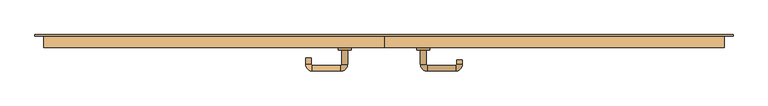
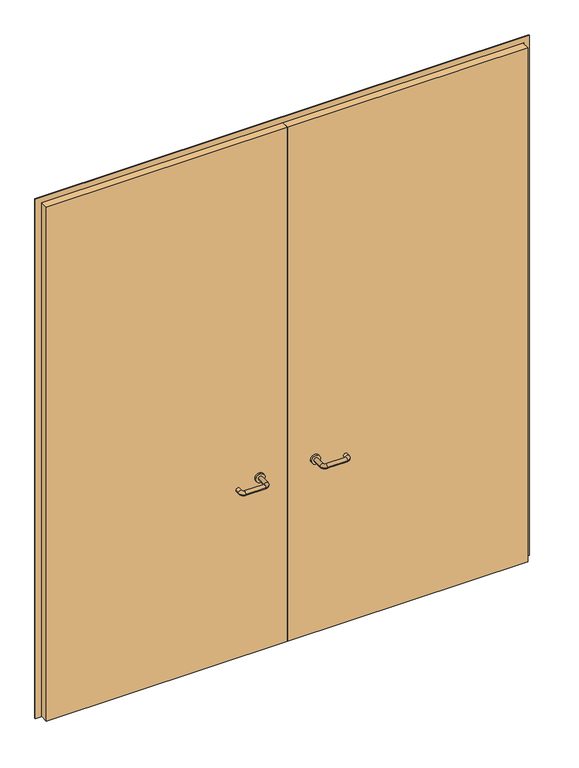
"""IFC4 building model written with IfcOpenShell, lengths in millimetres: door geometry."""

from ifc_helpers import new_model, si_unit, point, frame, frame_2d, origin, place, context, project, spatial, polyline, circle_curve, ellipse_curve, trimmed, segment, composite_curve, outline, extrude, source, transform, mapped, element, save
from ifc_brep_helpers import plane_surface, cylinder_surface, revolved_surface, advanced_brep


def door_bb514e53(model_context):
    return source(origin(), model_context, "Body", "SolidModel", [
        extrude(outline(polyline([(3000.0, -1350.0), (0.0, -1350.0), (0.0, -1318.0), (2968.0, -1318.0), (2968.0, 1318.0), (0.0, 1318.0), (0.0, 1350.0), (3000.0, 1350.0), (3000.0, -1350.0)])), frame((0.0, 10.0, 0.0), z_axis=(0.0, 1.0, 0.0), x_axis=(0.0, 0.0, 1.0)), (0.0, 0.0, 1.0), 5.0),
        advanced_brep(
        [(140.99898, -44.0, 1003.0), (162.99898, -44.0, 1003.0), (140.99898, -99.3525369, 1003.0), (162.99898, -99.3525369, 1003.0), (166.99898, -103.3525369, 1003.0), (166.99898, -125.3525369, 1003.0), (276.99898, -125.3525369, 1003.0), (276.99898, -103.3525369, 1003.0), (280.99898, -99.3525369, 1003.0), (302.99898, -99.3525369, 1003.0), (302.99898, -82.0, 1003.0), (280.99898, -82.0, 1003.0)],
        [
            (0, 1, circle_curve(frame((151.99898, -44.0, 1003.0), z_axis=(0.0, 1.0, 0.0), x_axis=(1.0, 0.0, 0.0)), 11.0)),
            (1, 0, circle_curve(frame((151.99898, -44.0, 1003.0), z_axis=(0.0, 1.0, 0.0), x_axis=(1.0, 0.0, 0.0)), 11.0)),
            (0, 2),
            (2, 3, circle_curve(frame((151.99898, -99.3525369, 1003.0), z_axis=(0.0, 1.0, 0.0), x_axis=(1.0, 0.0, 0.0)), 11.0)),
            (3, 1),
            (3, 2, circle_curve(frame((151.99898, -99.3525369, 1003.0), z_axis=(0.0, 1.0, 0.0), x_axis=(1.0, 0.0, 0.0)), 11.0)),
            (4, 3, circle_curve(frame((166.99898, -99.3525369, 1003.0), z_axis=(0.0, 0.0, -1.0), x_axis=(-1.0, 0.0, 0.0)), 4.0)),
            (2, 5, circle_curve(frame((166.99898, -99.3525369, 1003.0), z_axis=(0.0, 0.0, 1.0), x_axis=(-1.0, 0.0, 0.0)), 26.0)),
            (5, 4, circle_curve(frame((166.99898, -114.3525369, 1003.0), z_axis=(-1.0, 0.0, 0.0), x_axis=(0.0, 1.0, 0.0)), 11.0)),
            (4, 5, circle_curve(frame((166.99898, -114.3525369, 1003.0), z_axis=(-1.0, 0.0, 0.0), x_axis=(0.0, 1.0, 0.0)), 11.0)),
            (5, 6),
            (6, 7, circle_curve(frame((276.99898, -114.3525369, 1003.0), z_axis=(-1.0, 0.0, 0.0), x_axis=(0.0, 1.0, 0.0)), 11.0)),
            (7, 4),
            (7, 6, circle_curve(frame((276.99898, -114.3525369, 1003.0), z_axis=(-1.0, 0.0, 0.0), x_axis=(0.0, 1.0, 0.0)), 11.0)),
            (8, 7, circle_curve(frame((276.99898, -99.3525369, 1003.0), z_axis=(0.0, 0.0, -1.0), x_axis=(0.0, -1.0, 0.0)), 4.0)),
            (6, 9, circle_curve(frame((276.99898, -99.3525369, 1003.0), z_axis=(0.0, 0.0, 1.0), x_axis=(0.0, -1.0, 0.0)), 26.0)),
            (9, 8, circle_curve(frame((291.99898, -99.3525369, 1003.0), z_axis=(0.0, -1.0, 0.0), x_axis=(-1.0, 0.0, 0.0)), 11.0)),
            (8, 9, circle_curve(frame((291.99898, -99.3525369, 1003.0), z_axis=(0.0, -1.0, 0.0), x_axis=(-1.0, 0.0, 0.0)), 11.0)),
            (10, 11, circle_curve(frame((291.99898, -82.0, 1003.0), z_axis=(0.0, 1.0, 0.0), x_axis=(-1.0, 0.0, 0.0)), 11.0)),
            (11, 10, circle_curve(frame((291.99898, -82.0, 1003.0), z_axis=(0.0, 1.0, 0.0), x_axis=(-1.0, 0.0, 0.0)), 11.0)),
            (9, 10),
            (11, 8),
        ],
        [
            plane_surface(frame((140.99898, -44.0, 1003.0), z_axis=(0.0, 1.0, 0.0), x_axis=(0.0, 0.0, -1.0))),
            cylinder_surface(frame((151.99898, -44.0, 1003.0), z_axis=(0.0, 1.0, 0.0), x_axis=(1.0, 0.0, 0.0)), 11.0),
            revolved_surface(trimmed(ellipse_curve(frame((151.99898, -99.3525369, 1003.0), z_axis=(0.0, 1.0, 0.0), x_axis=(1.0, 0.0, 0.0)), 11.0, 11.0), [point((140.99898, -99.3525369, 1003.0))], [point((162.99898, -99.3525369, 1003.0))], True, "CARTESIAN"), (166.99898, -99.3525369, 1003.0), (0.0, 0.0, 1.0)),
            revolved_surface(trimmed(ellipse_curve(frame((151.99898, -99.3525369, 1003.0), z_axis=(0.0, 1.0, 0.0), x_axis=(1.0, 0.0, 0.0)), 11.0, 11.0), [point((162.99898, -99.3525369, 1003.0))], [point((140.99898, -99.3525369, 1003.0))], True, "CARTESIAN"), (166.99898, -99.3525369, 1003.0), (0.0, 0.0, 1.0)),
            cylinder_surface(frame((166.99898, -114.3525369, 1003.0), z_axis=(-1.0, 0.0, 0.0), x_axis=(0.0, 1.0, 0.0)), 11.0),
            revolved_surface(trimmed(ellipse_curve(frame((276.99898, -114.3525369, 1003.0), z_axis=(-1.0, 0.0, 0.0), x_axis=(0.0, 1.0, 0.0)), 11.0, 11.0), [point((276.99898, -125.3525369, 1003.0))], [point((276.99898, -103.3525369, 1003.0))], True, "CARTESIAN"), (276.99898, -99.3525369, 1003.0), (0.0, 0.0, 1.0)),
            revolved_surface(trimmed(ellipse_curve(frame((276.99898, -114.3525369, 1003.0), z_axis=(-1.0, 0.0, 0.0), x_axis=(0.0, 1.0, 0.0)), 11.0, 11.0), [point((276.99898, -103.3525369, 1003.0))], [point((276.99898, -125.3525369, 1003.0))], True, "CARTESIAN"), (276.99898, -99.3525369, 1003.0), (0.0, 0.0, 1.0)),
            plane_surface(frame((280.99898, -82.0, 1003.0), z_axis=(0.0, 1.0, 0.0), x_axis=(0.0, 0.0, 1.0))),
            cylinder_surface(frame((291.99898, -99.3525369, 1003.0), z_axis=(0.0, -1.0, 0.0), x_axis=(-1.0, 0.0, 0.0)), 11.0),
        ],
        [
            (0, [[1, 2]]),
            (1, [[-1, 3, 4, 5]]),
            (1, [[-2, -5, 6, -3]]),
            (2, [[7, -4, 8, 9]]),
            (3, [[-8, -6, -7, 10]]),
            (4, [[-9, 11, 12, 13]]),
            (4, [[-10, -13, 14, -11]]),
            (5, [[15, -12, 16, 17]]),
            (6, [[-16, -14, -15, 18]]),
            (7, [[19, 20]]),
            (8, [[-17, 21, -20, 22]]),
            (8, [[-18, -22, -19, -21]]),
        ],
    ),
        extrude(outline(composite_curve([segment(trimmed(circle_curve(frame_2d((1003.0, 151.99898)), 25.0), [point((1003.0, 126.99898))], [point((1003.0, 176.99898))], False, "CARTESIAN"), True, "CONTINUOUS"), segment(trimmed(circle_curve(frame_2d((1003.0, 151.99898)), 25.0), [point((1003.0, 176.99898))], [point((1003.0, 126.99898))], False, "CARTESIAN"), True, "CONTINUOUS")], self_intersect=False)), frame((0.0, -44.0, 0.0), z_axis=(0.0, 1.0, 0.0), x_axis=(0.0, 0.0, 1.0)), (0.0, 0.0, 1.0), 10.0),
        advanced_brep(
        [(-162.99898, -44.3113879, 1003.0), (-140.99898, -44.3113879, 1003.0), (-162.99898, -99.7220447, 1003.0), (-140.99898, -99.7220447, 1003.0), (-166.99898, -125.7220447, 1003.0), (-166.99898, -103.7220447, 1003.0), (-276.99898, -103.7220447, 1003.0), (-276.99898, -125.7220447, 1003.0), (-302.99898, -99.7220447, 1003.0), (-280.99898, -99.7220447, 1003.0), (-280.99898, -74.7220447, 1003.0), (-302.99898, -74.7220447, 1003.0)],
        [
            (0, 1, circle_curve(frame((-151.99898, -44.3113879, 1003.0), z_axis=(0.0, 1.0, 0.0), x_axis=(1.0, 0.0, 0.0)), 11.0)),
            (1, 0, circle_curve(frame((-151.99898, -44.3113879, 1003.0), z_axis=(0.0, 1.0, 0.0), x_axis=(1.0, 0.0, 0.0)), 11.0)),
            (0, 2),
            (2, 3, circle_curve(frame((-151.99898, -99.7220447, 1003.0), z_axis=(0.0, 1.0, 0.0), x_axis=(1.0, 0.0, 0.0)), 11.0)),
            (3, 1),
            (3, 2, circle_curve(frame((-151.99898, -99.7220447, 1003.0), z_axis=(0.0, 1.0, 0.0), x_axis=(1.0, 0.0, 0.0)), 11.0)),
            (4, 3, circle_curve(frame((-166.99898, -99.7220447, 1003.0), z_axis=(0.0, 0.0, 1.0), x_axis=(1.0, 0.0, 0.0)), 26.0)),
            (2, 5, circle_curve(frame((-166.99898, -99.7220447, 1003.0), z_axis=(0.0, 0.0, -1.0), x_axis=(1.0, 0.0, 0.0)), 4.0)),
            (5, 4, circle_curve(frame((-166.99898, -114.7220447, 1003.0), z_axis=(1.0, 0.0, 0.0), x_axis=(0.0, -1.0, 0.0)), 11.0)),
            (4, 5, circle_curve(frame((-166.99898, -114.7220447, 1003.0), z_axis=(1.0, 0.0, 0.0), x_axis=(0.0, -1.0, 0.0)), 11.0)),
            (5, 6),
            (6, 7, circle_curve(frame((-276.99898, -114.7220447, 1003.0), z_axis=(1.0, 0.0, 0.0), x_axis=(0.0, -1.0, 0.0)), 11.0)),
            (7, 4),
            (7, 6, circle_curve(frame((-276.99898, -114.7220447, 1003.0), z_axis=(1.0, 0.0, 0.0), x_axis=(0.0, -1.0, 0.0)), 11.0)),
            (8, 7, circle_curve(frame((-276.99898, -99.7220447, 1003.0), z_axis=(0.0, 0.0, 1.0), x_axis=(0.0, -1.0, 0.0)), 26.0)),
            (6, 9, circle_curve(frame((-276.99898, -99.7220447, 1003.0), z_axis=(0.0, 0.0, -1.0), x_axis=(0.0, -1.0, 0.0)), 4.0)),
            (9, 8, circle_curve(frame((-291.99898, -99.7220447, 1003.0), z_axis=(0.0, -1.0, 0.0), x_axis=(-1.0, 0.0, 0.0)), 11.0)),
            (8, 9, circle_curve(frame((-291.99898, -99.7220447, 1003.0), z_axis=(0.0, -1.0, 0.0), x_axis=(-1.0, 0.0, 0.0)), 11.0)),
            (10, 11, circle_curve(frame((-291.99898, -74.7220447, 1003.0), z_axis=(0.0, 1.0, 0.0), x_axis=(-1.0, 0.0, 0.0)), 11.0)),
            (11, 10, circle_curve(frame((-291.99898, -74.7220447, 1003.0), z_axis=(0.0, 1.0, 0.0), x_axis=(-1.0, 0.0, 0.0)), 11.0)),
            (9, 10),
            (11, 8),
        ],
        [
            plane_surface(frame((-162.99898, -44.3113879, 1003.0), z_axis=(0.0, 1.0, 0.0), x_axis=(0.0, 0.0, -1.0))),
            cylinder_surface(frame((-151.99898, -44.3113879, 1003.0), z_axis=(0.0, 1.0, 0.0), x_axis=(1.0, 0.0, 0.0)), 11.0),
            revolved_surface(trimmed(ellipse_curve(frame((-151.99898, -99.7220447, 1003.0), z_axis=(0.0, 1.0, 0.0), x_axis=(1.0, 0.0, 0.0)), 11.0, 11.0), [point((-162.99898, -99.7220447, 1003.0))], [point((-140.99898, -99.7220447, 1003.0))], True, "CARTESIAN"), (-166.99898, -99.7220447, 1003.0), (0.0, 0.0, -1.0)),
            revolved_surface(trimmed(ellipse_curve(frame((-151.99898, -99.7220447, 1003.0), z_axis=(0.0, 1.0, 0.0), x_axis=(1.0, 0.0, 0.0)), 11.0, 11.0), [point((-140.99898, -99.7220447, 1003.0))], [point((-162.99898, -99.7220447, 1003.0))], True, "CARTESIAN"), (-166.99898, -99.7220447, 1003.0), (0.0, 0.0, -1.0)),
            cylinder_surface(frame((-166.99898, -114.7220447, 1003.0), z_axis=(1.0, 0.0, 0.0), x_axis=(0.0, -1.0, 0.0)), 11.0),
            revolved_surface(trimmed(ellipse_curve(frame((-276.99898, -114.7220447, 1003.0), z_axis=(1.0, 0.0, 0.0), x_axis=(0.0, -1.0, 0.0)), 11.0, 11.0), [point((-276.99898, -103.7220447, 1003.0))], [point((-276.99898, -125.7220447, 1003.0))], True, "CARTESIAN"), (-276.99898, -99.7220447, 1003.0), (0.0, 0.0, -1.0)),
            revolved_surface(trimmed(ellipse_curve(frame((-276.99898, -114.7220447, 1003.0), z_axis=(1.0, 0.0, 0.0), x_axis=(0.0, -1.0, 0.0)), 11.0, 11.0), [point((-276.99898, -125.7220447, 1003.0))], [point((-276.99898, -103.7220447, 1003.0))], True, "CARTESIAN"), (-276.99898, -99.7220447, 1003.0), (0.0, 0.0, -1.0)),
            plane_surface(frame((-302.99898, -74.7220447, 1003.0), z_axis=(0.0, 1.0, 0.0), x_axis=(0.0, 0.0, 1.0))),
            cylinder_surface(frame((-291.99898, -99.7220447, 1003.0), z_axis=(0.0, -1.0, 0.0), x_axis=(-1.0, 0.0, 0.0)), 11.0),
        ],
        [
            (0, [[1, 2]]),
            (1, [[-1, 3, 4, 5]]),
            (1, [[-2, -5, 6, -3]]),
            (2, [[7, -4, 8, 9]]),
            (3, [[-8, -6, -7, 10]]),
            (4, [[-9, 11, 12, 13]]),
            (4, [[-10, -13, 14, -11]]),
            (5, [[15, -12, 16, 17]]),
            (6, [[-16, -14, -15, 18]]),
            (7, [[19, 20]]),
            (8, [[-17, 21, -20, 22]]),
            (8, [[-18, -22, -19, -21]]),
        ],
    ),
        extrude(outline(composite_curve([segment(trimmed(circle_curve(frame_2d((1003.0, -151.99898)), 25.0), [point((1003.0, -176.99898))], [point((1003.0, -126.99898))], False, "CARTESIAN"), True, "CONTINUOUS"), segment(trimmed(circle_curve(frame_2d((1003.0, -151.99898)), 25.0), [point((1003.0, -126.99898))], [point((1003.0, -176.99898))], False, "CARTESIAN"), True, "CONTINUOUS")], self_intersect=False)), frame((0.0, -44.3113879, 0.0), z_axis=(0.0, 1.0, 0.0), x_axis=(0.0, 0.0, 1.0)), (0.0, 0.0, 1.0), 10.3113879),
        extrude(outline(polyline([(1.0739506, -34.0), (-1315.0, -34.0), (-1315.0, 10.0), (1.0739506, 10.0), (1.0739506, -34.0)])), frame((0.0, 0.0, 1.753223), z_axis=(0.0, 0.0, 1.0), x_axis=(1.0, 0.0, 0.0)), (0.0, 0.0, 1.0), 2966.246777),
        extrude(outline(polyline([(1315.0, -34.0), (1.0739506, -34.0), (1.0739506, 10.0), (1315.0, 10.0), (1315.0, -34.0)])), frame((0.0, 0.0, 1.753223), z_axis=(0.0, 0.0, 1.0), x_axis=(1.0, 0.0, 0.0)), (0.0, 0.0, 1.0), 2966.246777),
    ])


if __name__ == "__main__":
    model = new_model("IFC4")
    model_context = context("Model", 3, world=origin())
    ifc_project = project(units=[si_unit("LENGTHUNIT", "METRE", prefix="MILLI")], contexts=[model_context])
    site = spatial("IfcSite", under=ifc_project)
    building = spatial("IfcBuilding", under=site)
    placement = place(None, origin())
    door_shape = door_bb514e53(model_context)
    element("IfcDoor", 1, at=placement, inside=building, context=model_context, shape_type="MappedRepresentation", body=[
        mapped(door_shape, transform((0.0, 0.0, 0.0), x_axis=(1.0, 0.0, 0.0), y_axis=(0.0, 1.0, 0.0), z_axis=(0.0, 0.0, 1.0))),
    ])
    save(model, "model.ifc")
